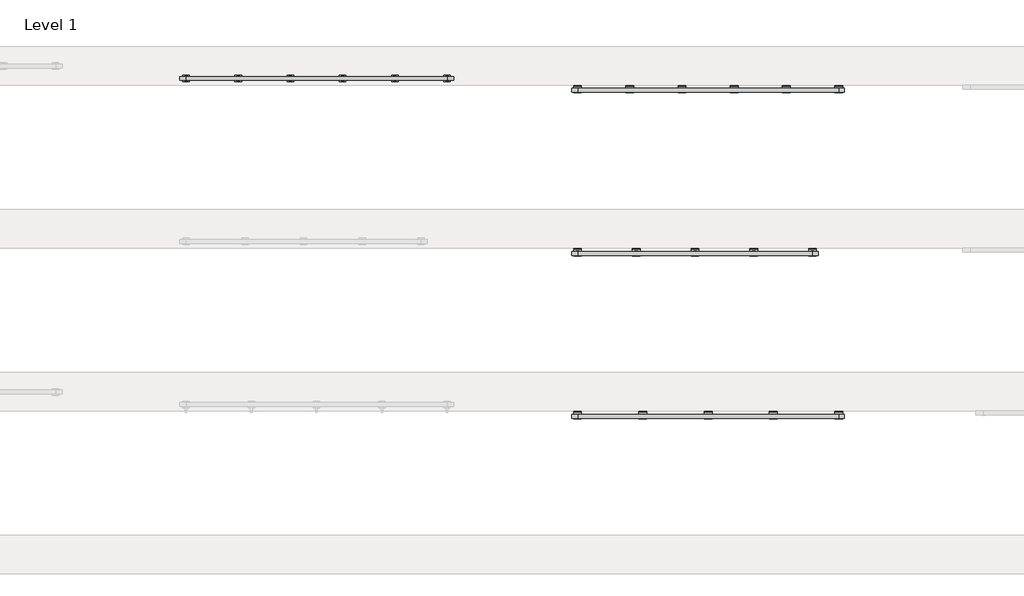
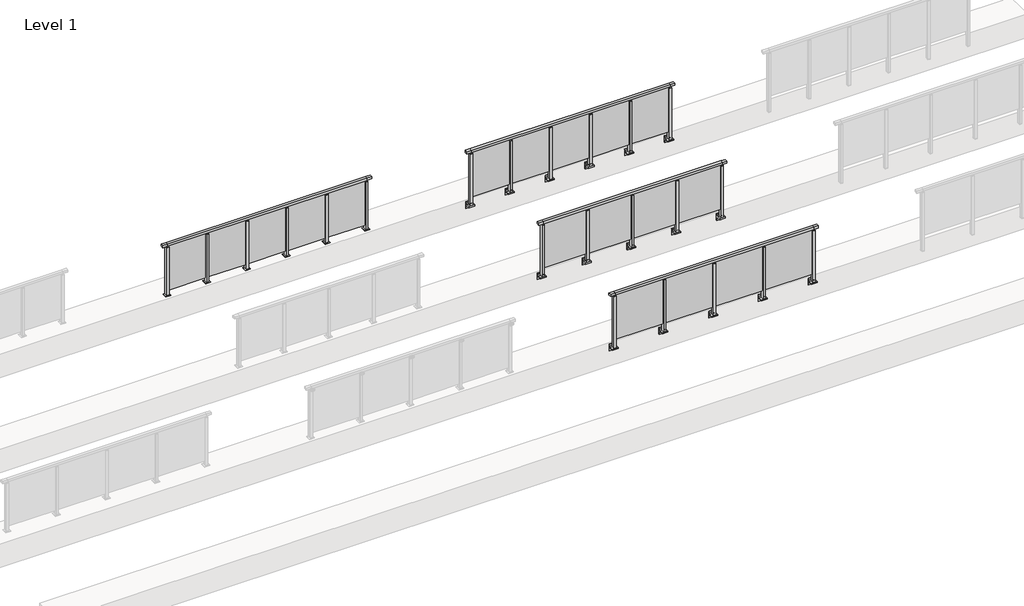
# One storey, part 20 of 37: 4 railings.
"""IFC4 building model written with IfcOpenShell, lengths in millimetres."""

from ifc_helpers import new_model, si_unit, point, frame, frame_2d, origin, origin_with_axes, place, context, project, spatial, polyline, circle_curve, trimmed, segment, composite_curve, outline, extrude, faceted_brep, element, save

model = new_model("IFC4")

# Units and contexts
model_context = context("Model", 3, world=origin())
ifc_project = project(units=[si_unit("LENGTHUNIT", "METRE", prefix="MILLI")], contexts=[model_context])

# Site, building, storey
site = spatial("IfcSite", under=ifc_project)
building = spatial("IfcBuilding", under=site)
storey = spatial("IfcBuildingStorey", under=building, Name="Level 1", Elevation=0.0)

# Railings
placement = place(None, origin())
element("IfcRailing", 1, at=placement, inside=storey, context=model_context, shape_type="SolidModel", body=[
    faceted_brep([(41910.0, 17347.6846828, 1100.0), (41910.0, 17347.6846828, 1055.0), (41910.0, 17287.6846828, 1055.0), (41910.0, 17287.6846828, 1100.0), (42000.0, 17347.6846828, 1100.0), (42000.0, 17347.6846828, 1055.0), (42000.0, 17287.6846828, 1055.0), (42000.0, 17287.6846828, 1100.0), (46000.0, 17347.6846828, 1100.0), (46000.0, 17347.6846828, 1055.0), (46000.0, 17287.6846828, 1055.0), (46000.0, 17287.6846828, 1100.0), (46090.0, 17347.6846828, 1100.0), (46090.0, 17287.6846828, 1100.0), (46090.0, 17287.6846828, 1055.0), (46090.0, 17347.6846828, 1055.0)], [[[0, 1, 2, 3]], [[1, 0, 4, 5]], [[2, 1, 5, 6]], [[3, 2, 6, 7]], [[0, 3, 7, 4]], [[5, 4, 8, 9]], [[6, 5, 9, 10]], [[7, 6, 10, 11]], [[4, 7, 11, 8]], [[12, 13, 14, 15]], [[9, 8, 12, 15]], [[10, 9, 15, 14]], [[11, 10, 14, 13]], [[8, 11, 13, 12]]]),
    extrude(outline(polyline([(45010.0, 17311.9094929), (45010.0, 17321.9094929), (45990.0, 17321.9094929), (45990.0, 17311.9094929), (45010.0, 17311.9094929)])), frame((0.0, 0.0, 95.0), z_axis=(0.0, 0.0, 1.0), x_axis=(1.0, 0.0, 0.0)), (0.0, 0.0, 1.0), 960.0),
    extrude(outline(composite_curve([segment(polyline([(17350.1846828, -70.0), (17384.1846828, -63.0), (17384.1846828, -32.5), (17400.1846828, -32.5), (17400.1846828, -167.5), (17384.1846828, -167.5), (17384.1846828, -113.5)]), True, "CONTINUOUS"), segment(trimmed(circle_curve(frame_2d((17364.1846828, -113.5)), 20.0), [point((17384.1846828, -113.5))], [point((17364.1846828, -93.5))], True, "CARTESIAN"), True, "CONTINUOUS"), segment(polyline([(17364.1846828, -93.5), (17280.1846828, -93.5), (17280.1846828, -70.0), (17350.1846828, -70.0)]), True, "CONTINUOUS")], self_intersect=False)), frame((44940.0, 0.0, 0.0), z_axis=(1.0, 0.0, 0.0), x_axis=(0.0, 1.0, 0.0)), (0.0, 0.0, 1.0), 120.0),
    extrude(outline(polyline([(45022.5, 17350.1846828), (45022.5, 17285.1846828), (44977.5, 17285.1846828), (44977.5, 17350.1846828), (45022.5, 17350.1846828)])), frame((0.0, 0.0, -70.0), z_axis=(0.0, 0.0, 1.0), x_axis=(1.0, 0.0, 0.0)), (0.0, 0.0, 1.0), 1097.0),
    extrude(outline(polyline([(45010.0, 17327.6846828), (45010.0, 17307.6846828), (44990.0, 17307.6846828), (44990.0, 17327.6846828), (45010.0, 17327.6846828)])), frame((0.0, 0.0, 1035.0), z_axis=(0.0, 0.0, 1.0), x_axis=(1.0, 0.0, 0.0)), (0.0, 0.0, 1.0), 20.0),
    extrude(outline(polyline([(45022.5, 17350.1846828), (45022.5, 17285.1846828), (44977.5, 17285.1846828), (44977.5, 17350.1846828), (45022.5, 17350.1846828)])), frame((0.0, 0.0, 1027.0), z_axis=(0.0, 0.0, 1.0), x_axis=(1.0, 0.0, 0.0)), (0.0, 0.0, 1.0), 8.0),
    extrude(outline(polyline([(44010.0, 17311.9094929), (44010.0, 17321.9094929), (44990.0, 17321.9094929), (44990.0, 17311.9094929), (44010.0, 17311.9094929)])), frame((0.0, 0.0, 95.0), z_axis=(0.0, 0.0, 1.0), x_axis=(1.0, 0.0, 0.0)), (0.0, 0.0, 1.0), 960.0),
    extrude(outline(composite_curve([segment(polyline([(17350.1846828, -70.0), (17384.1846828, -63.0), (17384.1846828, -32.5), (17400.1846828, -32.5), (17400.1846828, -167.5), (17384.1846828, -167.5), (17384.1846828, -113.5)]), True, "CONTINUOUS"), segment(trimmed(circle_curve(frame_2d((17364.1846828, -113.5)), 20.0), [point((17384.1846828, -113.5))], [point((17364.1846828, -93.5))], True, "CARTESIAN"), True, "CONTINUOUS"), segment(polyline([(17364.1846828, -93.5), (17280.1846828, -93.5), (17280.1846828, -70.0), (17350.1846828, -70.0)]), True, "CONTINUOUS")], self_intersect=False)), frame((43940.0, 0.0, 0.0), z_axis=(1.0, 0.0, 0.0), x_axis=(0.0, 1.0, 0.0)), (0.0, 0.0, 1.0), 120.0),
    extrude(outline(polyline([(44022.5, 17350.1846828), (44022.5, 17285.1846828), (43977.5, 17285.1846828), (43977.5, 17350.1846828), (44022.5, 17350.1846828)])), frame((0.0, 0.0, -70.0), z_axis=(0.0, 0.0, 1.0), x_axis=(1.0, 0.0, 0.0)), (0.0, 0.0, 1.0), 1097.0),
    extrude(outline(polyline([(44010.0, 17327.6846828), (44010.0, 17307.6846828), (43990.0, 17307.6846828), (43990.0, 17327.6846828), (44010.0, 17327.6846828)])), frame((0.0, 0.0, 1035.0), z_axis=(0.0, 0.0, 1.0), x_axis=(1.0, 0.0, 0.0)), (0.0, 0.0, 1.0), 20.0),
    extrude(outline(polyline([(44022.5, 17350.1846828), (44022.5, 17285.1846828), (43977.5, 17285.1846828), (43977.5, 17350.1846828), (44022.5, 17350.1846828)])), frame((0.0, 0.0, 1027.0), z_axis=(0.0, 0.0, 1.0), x_axis=(1.0, 0.0, 0.0)), (0.0, 0.0, 1.0), 8.0),
    extrude(outline(polyline([(43010.0, 17311.9094929), (43010.0, 17321.9094929), (43990.0, 17321.9094929), (43990.0, 17311.9094929), (43010.0, 17311.9094929)])), frame((0.0, 0.0, 95.0), z_axis=(0.0, 0.0, 1.0), x_axis=(1.0, 0.0, 0.0)), (0.0, 0.0, 1.0), 960.0),
    extrude(outline(composite_curve([segment(polyline([(17350.1846828, -70.0), (17384.1846828, -63.0), (17384.1846828, -32.5), (17400.1846828, -32.5), (17400.1846828, -167.5), (17384.1846828, -167.5), (17384.1846828, -113.5)]), True, "CONTINUOUS"), segment(trimmed(circle_curve(frame_2d((17364.1846828, -113.5)), 20.0), [point((17384.1846828, -113.5))], [point((17364.1846828, -93.5))], True, "CARTESIAN"), True, "CONTINUOUS"), segment(polyline([(17364.1846828, -93.5), (17280.1846828, -93.5), (17280.1846828, -70.0), (17350.1846828, -70.0)]), True, "CONTINUOUS")], self_intersect=False)), frame((42940.0, 0.0, 0.0), z_axis=(1.0, 0.0, 0.0), x_axis=(0.0, 1.0, 0.0)), (0.0, 0.0, 1.0), 120.0),
    extrude(outline(polyline([(43022.5, 17350.1846828), (43022.5, 17285.1846828), (42977.5, 17285.1846828), (42977.5, 17350.1846828), (43022.5, 17350.1846828)])), frame((0.0, 0.0, -70.0), z_axis=(0.0, 0.0, 1.0), x_axis=(1.0, 0.0, 0.0)), (0.0, 0.0, 1.0), 1097.0),
    extrude(outline(polyline([(43010.0, 17327.6846828), (43010.0, 17307.6846828), (42990.0, 17307.6846828), (42990.0, 17327.6846828), (43010.0, 17327.6846828)])), frame((0.0, 0.0, 1035.0), z_axis=(0.0, 0.0, 1.0), x_axis=(1.0, 0.0, 0.0)), (0.0, 0.0, 1.0), 20.0),
    extrude(outline(polyline([(43022.5, 17350.1846828), (43022.5, 17285.1846828), (42977.5, 17285.1846828), (42977.5, 17350.1846828), (43022.5, 17350.1846828)])), frame((0.0, 0.0, 1027.0), z_axis=(0.0, 0.0, 1.0), x_axis=(1.0, 0.0, 0.0)), (0.0, 0.0, 1.0), 8.0),
    extrude(outline(polyline([(42010.0, 17311.9094929), (42010.0, 17321.9094929), (42990.0, 17321.9094929), (42990.0, 17311.9094929), (42010.0, 17311.9094929)])), frame((0.0, 0.0, 95.0), z_axis=(0.0, 0.0, 1.0), x_axis=(1.0, 0.0, 0.0)), (0.0, 0.0, 1.0), 960.0),
    extrude(outline(composite_curve([segment(polyline([(17350.1846828, -70.0), (17384.1846828, -63.0), (17384.1846828, -32.5), (17400.1846828, -32.5), (17400.1846828, -167.5), (17384.1846828, -167.5), (17384.1846828, -113.5)]), True, "CONTINUOUS"), segment(trimmed(circle_curve(frame_2d((17364.1846828, -113.5)), 20.0), [point((17384.1846828, -113.5))], [point((17364.1846828, -93.5))], True, "CARTESIAN"), True, "CONTINUOUS"), segment(polyline([(17364.1846828, -93.5), (17280.1846828, -93.5), (17280.1846828, -70.0), (17350.1846828, -70.0)]), True, "CONTINUOUS")], self_intersect=False)), frame((45940.0, 0.0, 0.0), z_axis=(1.0, 0.0, 0.0), x_axis=(0.0, 1.0, 0.0)), (0.0, 0.0, 1.0), 120.0),
    extrude(outline(polyline([(46022.5, 17350.1846828), (46022.5, 17285.1846828), (45977.5, 17285.1846828), (45977.5, 17350.1846828), (46022.5, 17350.1846828)])), frame((0.0, 0.0, -70.0), z_axis=(0.0, 0.0, 1.0), x_axis=(1.0, 0.0, 0.0)), (0.0, 0.0, 1.0), 1097.0),
    extrude(outline(polyline([(46010.0, 17327.6846828), (46010.0, 17307.6846828), (45990.0, 17307.6846828), (45990.0, 17327.6846828), (46010.0, 17327.6846828)])), frame((0.0, 0.0, 1035.0), z_axis=(0.0, 0.0, 1.0), x_axis=(1.0, 0.0, 0.0)), (0.0, 0.0, 1.0), 20.0),
    extrude(outline(polyline([(46022.5, 17350.1846828), (46022.5, 17285.1846828), (45977.5, 17285.1846828), (45977.5, 17350.1846828), (46022.5, 17350.1846828)])), frame((0.0, 0.0, 1027.0), z_axis=(0.0, 0.0, 1.0), x_axis=(1.0, 0.0, 0.0)), (0.0, 0.0, 1.0), 8.0),
    extrude(outline(composite_curve([segment(polyline([(17350.1846828, -70.0), (17384.1846828, -63.0), (17384.1846828, -32.5), (17400.1846828, -32.5), (17400.1846828, -167.5), (17384.1846828, -167.5), (17384.1846828, -113.5)]), True, "CONTINUOUS"), segment(trimmed(circle_curve(frame_2d((17364.1846828, -113.5)), 20.0), [point((17384.1846828, -113.5))], [point((17364.1846828, -93.5))], True, "CARTESIAN"), True, "CONTINUOUS"), segment(polyline([(17364.1846828, -93.5), (17280.1846828, -93.5), (17280.1846828, -70.0), (17350.1846828, -70.0)]), True, "CONTINUOUS")], self_intersect=False)), frame((41940.0, 0.0, 0.0), z_axis=(1.0, 0.0, 0.0), x_axis=(0.0, 1.0, 0.0)), (0.0, 0.0, 1.0), 120.0),
    extrude(outline(polyline([(42022.5, 17350.1846828), (42022.5, 17285.1846828), (41977.5, 17285.1846828), (41977.5, 17350.1846828), (42022.5, 17350.1846828)])), frame((0.0, 0.0, -70.0), z_axis=(0.0, 0.0, 1.0), x_axis=(1.0, 0.0, 0.0)), (0.0, 0.0, 1.0), 1097.0),
    extrude(outline(polyline([(42010.0, 17327.6846828), (42010.0, 17307.6846828), (41990.0, 17307.6846828), (41990.0, 17327.6846828), (42010.0, 17327.6846828)])), frame((0.0, 0.0, 1035.0), z_axis=(0.0, 0.0, 1.0), x_axis=(1.0, 0.0, 0.0)), (0.0, 0.0, 1.0), 20.0),
    extrude(outline(polyline([(42022.5, 17350.1846828), (42022.5, 17285.1846828), (41977.5, 17285.1846828), (41977.5, 17350.1846828), (42022.5, 17350.1846828)])), frame((0.0, 0.0, 1027.0), z_axis=(0.0, 0.0, 1.0), x_axis=(1.0, 0.0, 0.0)), (0.0, 0.0, 1.0), 8.0),
])
element("IfcRailing", 2, at=placement, inside=storey, context=model_context, shape_type="SolidModel", body=[
    faceted_brep([(41910.0, 19847.6846828, 1100.0), (41910.0, 19847.6846828, 1055.0), (41910.0, 19787.6846828, 1055.0), (41910.0, 19787.6846828, 1100.0), (42000.0, 19847.6846828, 1100.0), (42000.0, 19847.6846828, 1055.0), (42000.0, 19787.6846828, 1055.0), (42000.0, 19787.6846828, 1100.0), (45600.0, 19847.6846828, 1100.0), (45600.0, 19847.6846828, 1055.0), (45600.0, 19787.6846828, 1055.0), (45600.0, 19787.6846828, 1100.0), (45690.0, 19847.6846828, 1100.0), (45690.0, 19787.6846828, 1100.0), (45690.0, 19787.6846828, 1055.0), (45690.0, 19847.6846828, 1055.0)], [[[0, 1, 2, 3]], [[1, 0, 4, 5]], [[2, 1, 5, 6]], [[3, 2, 6, 7]], [[0, 3, 7, 4]], [[5, 4, 8, 9]], [[6, 5, 9, 10]], [[7, 6, 10, 11]], [[4, 7, 11, 8]], [[12, 13, 14, 15]], [[9, 8, 12, 15]], [[10, 9, 15, 14]], [[11, 10, 14, 13]], [[8, 11, 13, 12]]]),
    extrude(outline(polyline([(44710.0, 19811.9094929), (44710.0, 19821.9094929), (45590.0, 19821.9094929), (45590.0, 19811.9094929), (44710.0, 19811.9094929)])), frame((0.0, 0.0, 95.0), z_axis=(0.0, 0.0, 1.0), x_axis=(1.0, 0.0, 0.0)), (0.0, 0.0, 1.0), 960.0),
    extrude(outline(composite_curve([segment(polyline([(19850.1846828, -70.0), (19884.1846828, -63.0), (19884.1846828, -32.5), (19900.1846828, -32.5), (19900.1846828, -167.5), (19884.1846828, -167.5), (19884.1846828, -113.5)]), True, "CONTINUOUS"), segment(trimmed(circle_curve(frame_2d((19864.1846828, -113.5)), 20.0), [point((19884.1846828, -113.5))], [point((19864.1846828, -93.5))], True, "CARTESIAN"), True, "CONTINUOUS"), segment(polyline([(19864.1846828, -93.5), (19780.1846828, -93.5), (19780.1846828, -70.0), (19850.1846828, -70.0)]), True, "CONTINUOUS")], self_intersect=False)), frame((44640.0, 0.0, 0.0), z_axis=(1.0, 0.0, 0.0), x_axis=(0.0, 1.0, 0.0)), (0.0, 0.0, 1.0), 120.0),
    extrude(outline(polyline([(44722.5, 19850.1846828), (44722.5, 19785.1846828), (44677.5, 19785.1846828), (44677.5, 19850.1846828), (44722.5, 19850.1846828)])), frame((0.0, 0.0, -70.0), z_axis=(0.0, 0.0, 1.0), x_axis=(1.0, 0.0, 0.0)), (0.0, 0.0, 1.0), 1097.0),
    extrude(outline(polyline([(44710.0, 19827.6846828), (44710.0, 19807.6846828), (44690.0, 19807.6846828), (44690.0, 19827.6846828), (44710.0, 19827.6846828)])), frame((0.0, 0.0, 1035.0), z_axis=(0.0, 0.0, 1.0), x_axis=(1.0, 0.0, 0.0)), (0.0, 0.0, 1.0), 20.0),
    extrude(outline(polyline([(44722.5, 19850.1846828), (44722.5, 19785.1846828), (44677.5, 19785.1846828), (44677.5, 19850.1846828), (44722.5, 19850.1846828)])), frame((0.0, 0.0, 1027.0), z_axis=(0.0, 0.0, 1.0), x_axis=(1.0, 0.0, 0.0)), (0.0, 0.0, 1.0), 8.0),
    extrude(outline(polyline([(43810.0, 19811.9094929), (43810.0, 19821.9094929), (44690.0, 19821.9094929), (44690.0, 19811.9094929), (43810.0, 19811.9094929)])), frame((0.0, 0.0, 95.0), z_axis=(0.0, 0.0, 1.0), x_axis=(1.0, 0.0, 0.0)), (0.0, 0.0, 1.0), 960.0),
    extrude(outline(composite_curve([segment(polyline([(19850.1846828, -70.0), (19884.1846828, -63.0), (19884.1846828, -32.5), (19900.1846828, -32.5), (19900.1846828, -167.5), (19884.1846828, -167.5), (19884.1846828, -113.5)]), True, "CONTINUOUS"), segment(trimmed(circle_curve(frame_2d((19864.1846828, -113.5)), 20.0), [point((19884.1846828, -113.5))], [point((19864.1846828, -93.5))], True, "CARTESIAN"), True, "CONTINUOUS"), segment(polyline([(19864.1846828, -93.5), (19780.1846828, -93.5), (19780.1846828, -70.0), (19850.1846828, -70.0)]), True, "CONTINUOUS")], self_intersect=False)), frame((43740.0, 0.0, 0.0), z_axis=(1.0, 0.0, 0.0), x_axis=(0.0, 1.0, 0.0)), (0.0, 0.0, 1.0), 120.0),
    extrude(outline(polyline([(43822.5, 19850.1846828), (43822.5, 19785.1846828), (43777.5, 19785.1846828), (43777.5, 19850.1846828), (43822.5, 19850.1846828)])), frame((0.0, 0.0, -70.0), z_axis=(0.0, 0.0, 1.0), x_axis=(1.0, 0.0, 0.0)), (0.0, 0.0, 1.0), 1097.0),
    extrude(outline(polyline([(43810.0, 19827.6846828), (43810.0, 19807.6846828), (43790.0, 19807.6846828), (43790.0, 19827.6846828), (43810.0, 19827.6846828)])), frame((0.0, 0.0, 1035.0), z_axis=(0.0, 0.0, 1.0), x_axis=(1.0, 0.0, 0.0)), (0.0, 0.0, 1.0), 20.0),
    extrude(outline(polyline([(43822.5, 19850.1846828), (43822.5, 19785.1846828), (43777.5, 19785.1846828), (43777.5, 19850.1846828), (43822.5, 19850.1846828)])), frame((0.0, 0.0, 1027.0), z_axis=(0.0, 0.0, 1.0), x_axis=(1.0, 0.0, 0.0)), (0.0, 0.0, 1.0), 8.0),
    extrude(outline(polyline([(42910.0, 19811.9094929), (42910.0, 19821.9094929), (43790.0, 19821.9094929), (43790.0, 19811.9094929), (42910.0, 19811.9094929)])), frame((0.0, 0.0, 95.0), z_axis=(0.0, 0.0, 1.0), x_axis=(1.0, 0.0, 0.0)), (0.0, 0.0, 1.0), 960.0),
    extrude(outline(composite_curve([segment(polyline([(19850.1846828, -70.0), (19884.1846828, -63.0), (19884.1846828, -32.5), (19900.1846828, -32.5), (19900.1846828, -167.5), (19884.1846828, -167.5), (19884.1846828, -113.5)]), True, "CONTINUOUS"), segment(trimmed(circle_curve(frame_2d((19864.1846828, -113.5)), 20.0), [point((19884.1846828, -113.5))], [point((19864.1846828, -93.5))], True, "CARTESIAN"), True, "CONTINUOUS"), segment(polyline([(19864.1846828, -93.5), (19780.1846828, -93.5), (19780.1846828, -70.0), (19850.1846828, -70.0)]), True, "CONTINUOUS")], self_intersect=False)), frame((42840.0, 0.0, 0.0), z_axis=(1.0, 0.0, 0.0), x_axis=(0.0, 1.0, 0.0)), (0.0, 0.0, 1.0), 120.0),
    extrude(outline(polyline([(42922.5, 19850.1846828), (42922.5, 19785.1846828), (42877.5, 19785.1846828), (42877.5, 19850.1846828), (42922.5, 19850.1846828)])), frame((0.0, 0.0, -70.0), z_axis=(0.0, 0.0, 1.0), x_axis=(1.0, 0.0, 0.0)), (0.0, 0.0, 1.0), 1097.0),
    extrude(outline(polyline([(42910.0, 19827.6846828), (42910.0, 19807.6846828), (42890.0, 19807.6846828), (42890.0, 19827.6846828), (42910.0, 19827.6846828)])), frame((0.0, 0.0, 1035.0), z_axis=(0.0, 0.0, 1.0), x_axis=(1.0, 0.0, 0.0)), (0.0, 0.0, 1.0), 20.0),
    extrude(outline(polyline([(42922.5, 19850.1846828), (42922.5, 19785.1846828), (42877.5, 19785.1846828), (42877.5, 19850.1846828), (42922.5, 19850.1846828)])), frame((0.0, 0.0, 1027.0), z_axis=(0.0, 0.0, 1.0), x_axis=(1.0, 0.0, 0.0)), (0.0, 0.0, 1.0), 8.0),
    extrude(outline(polyline([(42010.0, 19811.9094929), (42010.0, 19821.9094929), (42890.0, 19821.9094929), (42890.0, 19811.9094929), (42010.0, 19811.9094929)])), frame((0.0, 0.0, 95.0), z_axis=(0.0, 0.0, 1.0), x_axis=(1.0, 0.0, 0.0)), (0.0, 0.0, 1.0), 960.0),
    extrude(outline(composite_curve([segment(polyline([(19850.1846828, -70.0), (19884.1846828, -63.0), (19884.1846828, -32.5), (19900.1846828, -32.5), (19900.1846828, -167.5), (19884.1846828, -167.5), (19884.1846828, -113.5)]), True, "CONTINUOUS"), segment(trimmed(circle_curve(frame_2d((19864.1846828, -113.5)), 20.0), [point((19884.1846828, -113.5))], [point((19864.1846828, -93.5))], True, "CARTESIAN"), True, "CONTINUOUS"), segment(polyline([(19864.1846828, -93.5), (19780.1846828, -93.5), (19780.1846828, -70.0), (19850.1846828, -70.0)]), True, "CONTINUOUS")], self_intersect=False)), frame((45540.0, 0.0, 0.0), z_axis=(1.0, 0.0, 0.0), x_axis=(0.0, 1.0, 0.0)), (0.0, 0.0, 1.0), 120.0),
    extrude(outline(polyline([(45622.5, 19850.1846828), (45622.5, 19785.1846828), (45577.5, 19785.1846828), (45577.5, 19850.1846828), (45622.5, 19850.1846828)])), frame((0.0, 0.0, -70.0), z_axis=(0.0, 0.0, 1.0), x_axis=(1.0, 0.0, 0.0)), (0.0, 0.0, 1.0), 1097.0),
    extrude(outline(polyline([(45610.0, 19827.6846828), (45610.0, 19807.6846828), (45590.0, 19807.6846828), (45590.0, 19827.6846828), (45610.0, 19827.6846828)])), frame((0.0, 0.0, 1035.0), z_axis=(0.0, 0.0, 1.0), x_axis=(1.0, 0.0, 0.0)), (0.0, 0.0, 1.0), 20.0),
    extrude(outline(polyline([(45622.5, 19850.1846828), (45622.5, 19785.1846828), (45577.5, 19785.1846828), (45577.5, 19850.1846828), (45622.5, 19850.1846828)])), frame((0.0, 0.0, 1027.0), z_axis=(0.0, 0.0, 1.0), x_axis=(1.0, 0.0, 0.0)), (0.0, 0.0, 1.0), 8.0),
    extrude(outline(composite_curve([segment(polyline([(19850.1846828, -70.0), (19884.1846828, -63.0), (19884.1846828, -32.5), (19900.1846828, -32.5), (19900.1846828, -167.5), (19884.1846828, -167.5), (19884.1846828, -113.5)]), True, "CONTINUOUS"), segment(trimmed(circle_curve(frame_2d((19864.1846828, -113.5)), 20.0), [point((19884.1846828, -113.5))], [point((19864.1846828, -93.5))], True, "CARTESIAN"), True, "CONTINUOUS"), segment(polyline([(19864.1846828, -93.5), (19780.1846828, -93.5), (19780.1846828, -70.0), (19850.1846828, -70.0)]), True, "CONTINUOUS")], self_intersect=False)), frame((41940.0, 0.0, 0.0), z_axis=(1.0, 0.0, 0.0), x_axis=(0.0, 1.0, 0.0)), (0.0, 0.0, 1.0), 120.0),
    extrude(outline(polyline([(42022.5, 19850.1846828), (42022.5, 19785.1846828), (41977.5, 19785.1846828), (41977.5, 19850.1846828), (42022.5, 19850.1846828)])), frame((0.0, 0.0, -70.0), z_axis=(0.0, 0.0, 1.0), x_axis=(1.0, 0.0, 0.0)), (0.0, 0.0, 1.0), 1097.0),
    extrude(outline(polyline([(42010.0, 19827.6846828), (42010.0, 19807.6846828), (41990.0, 19807.6846828), (41990.0, 19827.6846828), (42010.0, 19827.6846828)])), frame((0.0, 0.0, 1035.0), z_axis=(0.0, 0.0, 1.0), x_axis=(1.0, 0.0, 0.0)), (0.0, 0.0, 1.0), 20.0),
    extrude(outline(polyline([(42022.5, 19850.1846828), (42022.5, 19785.1846828), (41977.5, 19785.1846828), (41977.5, 19850.1846828), (42022.5, 19850.1846828)])), frame((0.0, 0.0, 1027.0), z_axis=(0.0, 0.0, 1.0), x_axis=(1.0, 0.0, 0.0)), (0.0, 0.0, 1.0), 8.0),
])
element("IfcRailing", 3, at=placement, inside=storey, context=model_context, shape_type="SolidModel", body=[
    faceted_brep([(41910.0, 22347.6846828, 1100.0), (41910.0, 22347.6846828, 1055.0), (41910.0, 22287.6846828, 1055.0), (41910.0, 22287.6846828, 1100.0), (42000.0, 22347.6846828, 1100.0), (42000.0, 22347.6846828, 1055.0), (42000.0, 22287.6846828, 1055.0), (42000.0, 22287.6846828, 1100.0), (46000.0, 22347.6846828, 1100.0), (46000.0, 22347.6846828, 1055.0), (46000.0, 22287.6846828, 1055.0), (46000.0, 22287.6846828, 1100.0), (46090.0, 22347.6846828, 1100.0), (46090.0, 22287.6846828, 1100.0), (46090.0, 22287.6846828, 1055.0), (46090.0, 22347.6846828, 1055.0)], [[[0, 1, 2, 3]], [[1, 0, 4, 5]], [[2, 1, 5, 6]], [[3, 2, 6, 7]], [[0, 3, 7, 4]], [[5, 4, 8, 9]], [[6, 5, 9, 10]], [[7, 6, 10, 11]], [[4, 7, 11, 8]], [[12, 13, 14, 15]], [[9, 8, 12, 15]], [[10, 9, 15, 14]], [[11, 10, 14, 13]], [[8, 11, 13, 12]]]),
    extrude(outline(polyline([(45210.0, 22311.9094929), (45210.0, 22321.9094929), (45990.0, 22321.9094929), (45990.0, 22311.9094929), (45210.0, 22311.9094929)])), frame((0.0, 0.0, 95.0), z_axis=(0.0, 0.0, 1.0), x_axis=(1.0, 0.0, 0.0)), (0.0, 0.0, 1.0), 960.0),
    extrude(outline(composite_curve([segment(polyline([(22350.1846828, -70.0), (22384.1846828, -63.0), (22384.1846828, -32.5), (22400.1846828, -32.5), (22400.1846828, -167.5), (22384.1846828, -167.5), (22384.1846828, -113.5)]), True, "CONTINUOUS"), segment(trimmed(circle_curve(frame_2d((22364.1846828, -113.5)), 20.0), [point((22384.1846828, -113.5))], [point((22364.1846828, -93.5))], True, "CARTESIAN"), True, "CONTINUOUS"), segment(polyline([(22364.1846828, -93.5), (22280.1846828, -93.5), (22280.1846828, -70.0), (22350.1846828, -70.0)]), True, "CONTINUOUS")], self_intersect=False)), frame((45140.0, 0.0, 0.0), z_axis=(1.0, 0.0, 0.0), x_axis=(0.0, 1.0, 0.0)), (0.0, 0.0, 1.0), 120.0),
    extrude(outline(polyline([(45222.5, 22350.1846828), (45222.5, 22285.1846828), (45177.5, 22285.1846828), (45177.5, 22350.1846828), (45222.5, 22350.1846828)])), frame((0.0, 0.0, -70.0), z_axis=(0.0, 0.0, 1.0), x_axis=(1.0, 0.0, 0.0)), (0.0, 0.0, 1.0), 1097.0),
    extrude(outline(polyline([(45210.0, 22327.6846828), (45210.0, 22307.6846828), (45190.0, 22307.6846828), (45190.0, 22327.6846828), (45210.0, 22327.6846828)])), frame((0.0, 0.0, 1035.0), z_axis=(0.0, 0.0, 1.0), x_axis=(1.0, 0.0, 0.0)), (0.0, 0.0, 1.0), 20.0),
    extrude(outline(polyline([(45222.5, 22350.1846828), (45222.5, 22285.1846828), (45177.5, 22285.1846828), (45177.5, 22350.1846828), (45222.5, 22350.1846828)])), frame((0.0, 0.0, 1027.0), z_axis=(0.0, 0.0, 1.0), x_axis=(1.0, 0.0, 0.0)), (0.0, 0.0, 1.0), 8.0),
    extrude(outline(polyline([(44410.0, 22311.9094929), (44410.0, 22321.9094929), (45190.0, 22321.9094929), (45190.0, 22311.9094929), (44410.0, 22311.9094929)])), frame((0.0, 0.0, 95.0), z_axis=(0.0, 0.0, 1.0), x_axis=(1.0, 0.0, 0.0)), (0.0, 0.0, 1.0), 960.0),
    extrude(outline(composite_curve([segment(polyline([(22350.1846828, -70.0), (22384.1846828, -63.0), (22384.1846828, -32.5), (22400.1846828, -32.5), (22400.1846828, -167.5), (22384.1846828, -167.5), (22384.1846828, -113.5)]), True, "CONTINUOUS"), segment(trimmed(circle_curve(frame_2d((22364.1846828, -113.5)), 20.0), [point((22384.1846828, -113.5))], [point((22364.1846828, -93.5))], True, "CARTESIAN"), True, "CONTINUOUS"), segment(polyline([(22364.1846828, -93.5), (22280.1846828, -93.5), (22280.1846828, -70.0), (22350.1846828, -70.0)]), True, "CONTINUOUS")], self_intersect=False)), frame((44340.0, 0.0, 0.0), z_axis=(1.0, 0.0, 0.0), x_axis=(0.0, 1.0, 0.0)), (0.0, 0.0, 1.0), 120.0),
    extrude(outline(polyline([(44422.5, 22350.1846828), (44422.5, 22285.1846828), (44377.5, 22285.1846828), (44377.5, 22350.1846828), (44422.5, 22350.1846828)])), frame((0.0, 0.0, -70.0), z_axis=(0.0, 0.0, 1.0), x_axis=(1.0, 0.0, 0.0)), (0.0, 0.0, 1.0), 1097.0),
    extrude(outline(polyline([(44410.0, 22327.6846828), (44410.0, 22307.6846828), (44390.0, 22307.6846828), (44390.0, 22327.6846828), (44410.0, 22327.6846828)])), frame((0.0, 0.0, 1035.0), z_axis=(0.0, 0.0, 1.0), x_axis=(1.0, 0.0, 0.0)), (0.0, 0.0, 1.0), 20.0),
    extrude(outline(polyline([(44422.5, 22350.1846828), (44422.5, 22285.1846828), (44377.5, 22285.1846828), (44377.5, 22350.1846828), (44422.5, 22350.1846828)])), frame((0.0, 0.0, 1027.0), z_axis=(0.0, 0.0, 1.0), x_axis=(1.0, 0.0, 0.0)), (0.0, 0.0, 1.0), 8.0),
    extrude(outline(polyline([(43610.0, 22311.9094929), (43610.0, 22321.9094929), (44390.0, 22321.9094929), (44390.0, 22311.9094929), (43610.0, 22311.9094929)])), frame((0.0, 0.0, 95.0), z_axis=(0.0, 0.0, 1.0), x_axis=(1.0, 0.0, 0.0)), (0.0, 0.0, 1.0), 960.0),
    extrude(outline(composite_curve([segment(polyline([(22350.1846828, -70.0), (22384.1846828, -63.0), (22384.1846828, -32.5), (22400.1846828, -32.5), (22400.1846828, -167.5), (22384.1846828, -167.5), (22384.1846828, -113.5)]), True, "CONTINUOUS"), segment(trimmed(circle_curve(frame_2d((22364.1846828, -113.5)), 20.0), [point((22384.1846828, -113.5))], [point((22364.1846828, -93.5))], True, "CARTESIAN"), True, "CONTINUOUS"), segment(polyline([(22364.1846828, -93.5), (22280.1846828, -93.5), (22280.1846828, -70.0), (22350.1846828, -70.0)]), True, "CONTINUOUS")], self_intersect=False)), frame((43540.0, 0.0, 0.0), z_axis=(1.0, 0.0, 0.0), x_axis=(0.0, 1.0, 0.0)), (0.0, 0.0, 1.0), 120.0),
    extrude(outline(polyline([(43622.5, 22350.1846828), (43622.5, 22285.1846828), (43577.5, 22285.1846828), (43577.5, 22350.1846828), (43622.5, 22350.1846828)])), frame((0.0, 0.0, -70.0), z_axis=(0.0, 0.0, 1.0), x_axis=(1.0, 0.0, 0.0)), (0.0, 0.0, 1.0), 1097.0),
    extrude(outline(polyline([(43610.0, 22327.6846828), (43610.0, 22307.6846828), (43590.0, 22307.6846828), (43590.0, 22327.6846828), (43610.0, 22327.6846828)])), frame((0.0, 0.0, 1035.0), z_axis=(0.0, 0.0, 1.0), x_axis=(1.0, 0.0, 0.0)), (0.0, 0.0, 1.0), 20.0),
    extrude(outline(polyline([(43622.5, 22350.1846828), (43622.5, 22285.1846828), (43577.5, 22285.1846828), (43577.5, 22350.1846828), (43622.5, 22350.1846828)])), frame((0.0, 0.0, 1027.0), z_axis=(0.0, 0.0, 1.0), x_axis=(1.0, 0.0, 0.0)), (0.0, 0.0, 1.0), 8.0),
    extrude(outline(polyline([(42810.0, 22311.9094929), (42810.0, 22321.9094929), (43590.0, 22321.9094929), (43590.0, 22311.9094929), (42810.0, 22311.9094929)])), frame((0.0, 0.0, 95.0), z_axis=(0.0, 0.0, 1.0), x_axis=(1.0, 0.0, 0.0)), (0.0, 0.0, 1.0), 960.0),
    extrude(outline(composite_curve([segment(polyline([(22350.1846828, -70.0), (22384.1846828, -63.0), (22384.1846828, -32.5), (22400.1846828, -32.5), (22400.1846828, -167.5), (22384.1846828, -167.5), (22384.1846828, -113.5)]), True, "CONTINUOUS"), segment(trimmed(circle_curve(frame_2d((22364.1846828, -113.5)), 20.0), [point((22384.1846828, -113.5))], [point((22364.1846828, -93.5))], True, "CARTESIAN"), True, "CONTINUOUS"), segment(polyline([(22364.1846828, -93.5), (22280.1846828, -93.5), (22280.1846828, -70.0), (22350.1846828, -70.0)]), True, "CONTINUOUS")], self_intersect=False)), frame((42740.0, 0.0, 0.0), z_axis=(1.0, 0.0, 0.0), x_axis=(0.0, 1.0, 0.0)), (0.0, 0.0, 1.0), 120.0),
    extrude(outline(polyline([(42822.5, 22350.1846828), (42822.5, 22285.1846828), (42777.5, 22285.1846828), (42777.5, 22350.1846828), (42822.5, 22350.1846828)])), frame((0.0, 0.0, -70.0), z_axis=(0.0, 0.0, 1.0), x_axis=(1.0, 0.0, 0.0)), (0.0, 0.0, 1.0), 1097.0),
    extrude(outline(polyline([(42810.0, 22327.6846828), (42810.0, 22307.6846828), (42790.0, 22307.6846828), (42790.0, 22327.6846828), (42810.0, 22327.6846828)])), frame((0.0, 0.0, 1035.0), z_axis=(0.0, 0.0, 1.0), x_axis=(1.0, 0.0, 0.0)), (0.0, 0.0, 1.0), 20.0),
    extrude(outline(polyline([(42822.5, 22350.1846828), (42822.5, 22285.1846828), (42777.5, 22285.1846828), (42777.5, 22350.1846828), (42822.5, 22350.1846828)])), frame((0.0, 0.0, 1027.0), z_axis=(0.0, 0.0, 1.0), x_axis=(1.0, 0.0, 0.0)), (0.0, 0.0, 1.0), 8.0),
    extrude(outline(polyline([(42010.0, 22311.9094929), (42010.0, 22321.9094929), (42790.0, 22321.9094929), (42790.0, 22311.9094929), (42010.0, 22311.9094929)])), frame((0.0, 0.0, 95.0), z_axis=(0.0, 0.0, 1.0), x_axis=(1.0, 0.0, 0.0)), (0.0, 0.0, 1.0), 960.0),
    extrude(outline(composite_curve([segment(polyline([(22350.1846828, -70.0), (22384.1846828, -63.0), (22384.1846828, -32.5), (22400.1846828, -32.5), (22400.1846828, -167.5), (22384.1846828, -167.5), (22384.1846828, -113.5)]), True, "CONTINUOUS"), segment(trimmed(circle_curve(frame_2d((22364.1846828, -113.5)), 20.0), [point((22384.1846828, -113.5))], [point((22364.1846828, -93.5))], True, "CARTESIAN"), True, "CONTINUOUS"), segment(polyline([(22364.1846828, -93.5), (22280.1846828, -93.5), (22280.1846828, -70.0), (22350.1846828, -70.0)]), True, "CONTINUOUS")], self_intersect=False)), frame((45940.0, 0.0, 0.0), z_axis=(1.0, 0.0, 0.0), x_axis=(0.0, 1.0, 0.0)), (0.0, 0.0, 1.0), 120.0),
    extrude(outline(polyline([(46022.5, 22350.1846828), (46022.5, 22285.1846828), (45977.5, 22285.1846828), (45977.5, 22350.1846828), (46022.5, 22350.1846828)])), frame((0.0, 0.0, -70.0), z_axis=(0.0, 0.0, 1.0), x_axis=(1.0, 0.0, 0.0)), (0.0, 0.0, 1.0), 1097.0),
    extrude(outline(polyline([(46010.0, 22327.6846828), (46010.0, 22307.6846828), (45990.0, 22307.6846828), (45990.0, 22327.6846828), (46010.0, 22327.6846828)])), frame((0.0, 0.0, 1035.0), z_axis=(0.0, 0.0, 1.0), x_axis=(1.0, 0.0, 0.0)), (0.0, 0.0, 1.0), 20.0),
    extrude(outline(polyline([(46022.5, 22350.1846828), (46022.5, 22285.1846828), (45977.5, 22285.1846828), (45977.5, 22350.1846828), (46022.5, 22350.1846828)])), frame((0.0, 0.0, 1027.0), z_axis=(0.0, 0.0, 1.0), x_axis=(1.0, 0.0, 0.0)), (0.0, 0.0, 1.0), 8.0),
    extrude(outline(composite_curve([segment(polyline([(22350.1846828, -70.0), (22384.1846828, -63.0), (22384.1846828, -32.5), (22400.1846828, -32.5), (22400.1846828, -167.5), (22384.1846828, -167.5), (22384.1846828, -113.5)]), True, "CONTINUOUS"), segment(trimmed(circle_curve(frame_2d((22364.1846828, -113.5)), 20.0), [point((22384.1846828, -113.5))], [point((22364.1846828, -93.5))], True, "CARTESIAN"), True, "CONTINUOUS"), segment(polyline([(22364.1846828, -93.5), (22280.1846828, -93.5), (22280.1846828, -70.0), (22350.1846828, -70.0)]), True, "CONTINUOUS")], self_intersect=False)), frame((41940.0, 0.0, 0.0), z_axis=(1.0, 0.0, 0.0), x_axis=(0.0, 1.0, 0.0)), (0.0, 0.0, 1.0), 120.0),
    extrude(outline(polyline([(42022.5, 22350.1846828), (42022.5, 22285.1846828), (41977.5, 22285.1846828), (41977.5, 22350.1846828), (42022.5, 22350.1846828)])), frame((0.0, 0.0, -70.0), z_axis=(0.0, 0.0, 1.0), x_axis=(1.0, 0.0, 0.0)), (0.0, 0.0, 1.0), 1097.0),
    extrude(outline(polyline([(42010.0, 22327.6846828), (42010.0, 22307.6846828), (41990.0, 22307.6846828), (41990.0, 22327.6846828), (42010.0, 22327.6846828)])), frame((0.0, 0.0, 1035.0), z_axis=(0.0, 0.0, 1.0), x_axis=(1.0, 0.0, 0.0)), (0.0, 0.0, 1.0), 20.0),
    extrude(outline(polyline([(42022.5, 22350.1846828), (42022.5, 22285.1846828), (41977.5, 22285.1846828), (41977.5, 22350.1846828), (42022.5, 22350.1846828)])), frame((0.0, 0.0, 1027.0), z_axis=(0.0, 0.0, 1.0), x_axis=(1.0, 0.0, 0.0)), (0.0, 0.0, 1.0), 8.0),
])
element("IfcRailing", 4, at=placement, inside=storey, context=model_context, shape_type="SolidModel", body=[
    faceted_brep([(36000.0, 22530.1846828, 1055.0), (36000.0, 22530.1846828, 1100.0), (40000.0, 22530.1846828, 1100.0), (40000.0, 22530.1846828, 1055.0), (36000.0, 22470.1846828, 1055.0), (40000.0, 22470.1846828, 1055.0), (36000.0, 22470.1846828, 1100.0), (40000.0, 22470.1846828, 1100.0), (35900.0, 22530.1846828, 1100.0), (35900.0, 22530.1846828, 1055.0), (35900.0, 22470.1846828, 1055.0), (35900.0, 22470.1846828, 1100.0), (40100.0, 22530.1846828, 1100.0), (40100.0, 22470.1846828, 1100.0), (40100.0, 22470.1846828, 1055.0), (40100.0, 22530.1846828, 1055.0)], [[[0, 1, 2, 3]], [[4, 0, 3, 5]], [[6, 4, 5, 7]], [[1, 6, 7, 2]], [[8, 9, 10, 11]], [[9, 8, 1, 0]], [[10, 9, 0, 4]], [[11, 10, 4, 6]], [[8, 11, 6, 1]], [[12, 13, 14, 15]], [[3, 2, 12, 15]], [[5, 3, 15, 14]], [[7, 5, 14, 13]], [[2, 7, 13, 12]]]),
    extrude(outline(polyline([(39210.0, 22505.9598727), (39990.0, 22505.9598727), (39990.0, 22495.9598727), (39210.0, 22495.9598727), (39210.0, 22505.9598727)])), frame((0.0, 0.0, 95.0), z_axis=(0.0, 0.0, 1.0), x_axis=(1.0, 0.0, 0.0)), (0.0, 0.0, 1.0), 960.0),
    extrude(outline(polyline([(39210.0, 22490.1846828), (39190.0, 22490.1846828), (39190.0, 22510.1846828), (39210.0, 22510.1846828), (39210.0, 22490.1846828)])), frame((0.0, 0.0, 1035.0), z_axis=(0.0, 0.0, 1.0), x_axis=(1.0, 0.0, 0.0)), (0.0, 0.0, 1.0), 20.0),
    extrude(outline(polyline([(39222.5, 22467.6846828), (39177.5, 22467.6846828), (39177.5, 22532.6846828), (39222.5, 22532.6846828), (39222.5, 22467.6846828)])), frame((0.0, 0.0, 1027.0), z_axis=(0.0, 0.0, 1.0), x_axis=(1.0, 0.0, 0.0)), (0.0, 0.0, 1.0), 8.0),
    extrude(outline(polyline([(39250.0, 22450.1846828), (39150.0, 22450.1846828), (39150.0, 22550.1846828), (39250.0, 22550.1846828), (39250.0, 22450.1846828)])), origin_with_axes(), (0.0, 0.0, 1.0), 12.0),
    extrude(outline(polyline([(39222.5, 22467.6846828), (39177.5, 22467.6846828), (39177.5, 22532.6846828), (39222.5, 22532.6846828), (39222.5, 22467.6846828)])), frame((0.0, 0.0, 12.0), z_axis=(0.0, 0.0, 1.0), x_axis=(1.0, 0.0, 0.0)), (0.0, 0.0, 1.0), 1015.0),
    extrude(outline(polyline([(38410.0, 22505.9598727), (39190.0, 22505.9598727), (39190.0, 22495.9598727), (38410.0, 22495.9598727), (38410.0, 22505.9598727)])), frame((0.0, 0.0, 95.0), z_axis=(0.0, 0.0, 1.0), x_axis=(1.0, 0.0, 0.0)), (0.0, 0.0, 1.0), 960.0),
    extrude(outline(polyline([(38410.0, 22490.1846828), (38390.0, 22490.1846828), (38390.0, 22510.1846828), (38410.0, 22510.1846828), (38410.0, 22490.1846828)])), frame((0.0, 0.0, 1035.0), z_axis=(0.0, 0.0, 1.0), x_axis=(1.0, 0.0, 0.0)), (0.0, 0.0, 1.0), 20.0),
    extrude(outline(polyline([(38422.5, 22467.6846828), (38377.5, 22467.6846828), (38377.5, 22532.6846828), (38422.5, 22532.6846828), (38422.5, 22467.6846828)])), frame((0.0, 0.0, 1027.0), z_axis=(0.0, 0.0, 1.0), x_axis=(1.0, 0.0, 0.0)), (0.0, 0.0, 1.0), 8.0),
    extrude(outline(polyline([(38450.0, 22450.1846828), (38350.0, 22450.1846828), (38350.0, 22550.1846828), (38450.0, 22550.1846828), (38450.0, 22450.1846828)])), origin_with_axes(), (0.0, 0.0, 1.0), 12.0),
    extrude(outline(polyline([(38422.5, 22467.6846828), (38377.5, 22467.6846828), (38377.5, 22532.6846828), (38422.5, 22532.6846828), (38422.5, 22467.6846828)])), frame((0.0, 0.0, 12.0), z_axis=(0.0, 0.0, 1.0), x_axis=(1.0, 0.0, 0.0)), (0.0, 0.0, 1.0), 1015.0),
    extrude(outline(polyline([(37610.0, 22505.9598727), (38390.0, 22505.9598727), (38390.0, 22495.9598727), (37610.0, 22495.9598727), (37610.0, 22505.9598727)])), frame((0.0, 0.0, 95.0), z_axis=(0.0, 0.0, 1.0), x_axis=(1.0, 0.0, 0.0)), (0.0, 0.0, 1.0), 960.0),
    extrude(outline(polyline([(37610.0, 22490.1846828), (37590.0, 22490.1846828), (37590.0, 22510.1846828), (37610.0, 22510.1846828), (37610.0, 22490.1846828)])), frame((0.0, 0.0, 1035.0), z_axis=(0.0, 0.0, 1.0), x_axis=(1.0, 0.0, 0.0)), (0.0, 0.0, 1.0), 20.0),
    extrude(outline(polyline([(37622.5, 22467.6846828), (37577.5, 22467.6846828), (37577.5, 22532.6846828), (37622.5, 22532.6846828), (37622.5, 22467.6846828)])), frame((0.0, 0.0, 1027.0), z_axis=(0.0, 0.0, 1.0), x_axis=(1.0, 0.0, 0.0)), (0.0, 0.0, 1.0), 8.0),
    extrude(outline(polyline([(37650.0, 22450.1846828), (37550.0, 22450.1846828), (37550.0, 22550.1846828), (37650.0, 22550.1846828), (37650.0, 22450.1846828)])), origin_with_axes(), (0.0, 0.0, 1.0), 12.0),
    extrude(outline(polyline([(37622.5, 22467.6846828), (37577.5, 22467.6846828), (37577.5, 22532.6846828), (37622.5, 22532.6846828), (37622.5, 22467.6846828)])), frame((0.0, 0.0, 12.0), z_axis=(0.0, 0.0, 1.0), x_axis=(1.0, 0.0, 0.0)), (0.0, 0.0, 1.0), 1015.0),
    extrude(outline(polyline([(36810.0, 22505.9598727), (37590.0, 22505.9598727), (37590.0, 22495.9598727), (36810.0, 22495.9598727), (36810.0, 22505.9598727)])), frame((0.0, 0.0, 95.0), z_axis=(0.0, 0.0, 1.0), x_axis=(1.0, 0.0, 0.0)), (0.0, 0.0, 1.0), 960.0),
    extrude(outline(polyline([(36810.0, 22490.1846828), (36790.0, 22490.1846828), (36790.0, 22510.1846828), (36810.0, 22510.1846828), (36810.0, 22490.1846828)])), frame((0.0, 0.0, 1035.0), z_axis=(0.0, 0.0, 1.0), x_axis=(1.0, 0.0, 0.0)), (0.0, 0.0, 1.0), 20.0),
    extrude(outline(polyline([(36822.5, 22467.6846828), (36777.5, 22467.6846828), (36777.5, 22532.6846828), (36822.5, 22532.6846828), (36822.5, 22467.6846828)])), frame((0.0, 0.0, 1027.0), z_axis=(0.0, 0.0, 1.0), x_axis=(1.0, 0.0, 0.0)), (0.0, 0.0, 1.0), 8.0),
    extrude(outline(polyline([(36850.0, 22450.1846828), (36750.0, 22450.1846828), (36750.0, 22550.1846828), (36850.0, 22550.1846828), (36850.0, 22450.1846828)])), origin_with_axes(), (0.0, 0.0, 1.0), 12.0),
    extrude(outline(polyline([(36822.5, 22467.6846828), (36777.5, 22467.6846828), (36777.5, 22532.6846828), (36822.5, 22532.6846828), (36822.5, 22467.6846828)])), frame((0.0, 0.0, 12.0), z_axis=(0.0, 0.0, 1.0), x_axis=(1.0, 0.0, 0.0)), (0.0, 0.0, 1.0), 1015.0),
    extrude(outline(polyline([(36010.0, 22505.9598727), (36790.0, 22505.9598727), (36790.0, 22495.9598727), (36010.0, 22495.9598727), (36010.0, 22505.9598727)])), frame((0.0, 0.0, 95.0), z_axis=(0.0, 0.0, 1.0), x_axis=(1.0, 0.0, 0.0)), (0.0, 0.0, 1.0), 960.0),
    extrude(outline(polyline([(40010.0, 22490.1846828), (39990.0, 22490.1846828), (39990.0, 22510.1846828), (40010.0, 22510.1846828), (40010.0, 22490.1846828)])), frame((0.0, 0.0, 1035.0), z_axis=(0.0, 0.0, 1.0), x_axis=(1.0, 0.0, 0.0)), (0.0, 0.0, 1.0), 20.0),
    extrude(outline(polyline([(40022.5, 22467.6846828), (39977.5, 22467.6846828), (39977.5, 22532.6846828), (40022.5, 22532.6846828), (40022.5, 22467.6846828)])), frame((0.0, 0.0, 1027.0), z_axis=(0.0, 0.0, 1.0), x_axis=(1.0, 0.0, 0.0)), (0.0, 0.0, 1.0), 8.0),
    extrude(outline(polyline([(40050.0, 22450.1846828), (39950.0, 22450.1846828), (39950.0, 22550.1846828), (40050.0, 22550.1846828), (40050.0, 22450.1846828)])), origin_with_axes(), (0.0, 0.0, 1.0), 12.0),
    extrude(outline(polyline([(40022.5, 22467.6846828), (39977.5, 22467.6846828), (39977.5, 22532.6846828), (40022.5, 22532.6846828), (40022.5, 22467.6846828)])), frame((0.0, 0.0, 12.0), z_axis=(0.0, 0.0, 1.0), x_axis=(1.0, 0.0, 0.0)), (0.0, 0.0, 1.0), 1015.0),
    extrude(outline(polyline([(36010.0, 22490.1846828), (35990.0, 22490.1846828), (35990.0, 22510.1846828), (36010.0, 22510.1846828), (36010.0, 22490.1846828)])), frame((0.0, 0.0, 1035.0), z_axis=(0.0, 0.0, 1.0), x_axis=(1.0, 0.0, 0.0)), (0.0, 0.0, 1.0), 20.0),
    extrude(outline(polyline([(36022.5, 22467.6846828), (35977.5, 22467.6846828), (35977.5, 22532.6846828), (36022.5, 22532.6846828), (36022.5, 22467.6846828)])), frame((0.0, 0.0, 1027.0), z_axis=(0.0, 0.0, 1.0), x_axis=(1.0, 0.0, 0.0)), (0.0, 0.0, 1.0), 8.0),
    extrude(outline(polyline([(36050.0, 22450.1846828), (35950.0, 22450.1846828), (35950.0, 22550.1846828), (36050.0, 22550.1846828), (36050.0, 22450.1846828)])), origin_with_axes(), (0.0, 0.0, 1.0), 12.0),
    extrude(outline(polyline([(36022.5, 22467.6846828), (35977.5, 22467.6846828), (35977.5, 22532.6846828), (36022.5, 22532.6846828), (36022.5, 22467.6846828)])), frame((0.0, 0.0, 12.0), z_axis=(0.0, 0.0, 1.0), x_axis=(1.0, 0.0, 0.0)), (0.0, 0.0, 1.0), 1015.0),
])

save(model, "model.ifc")
